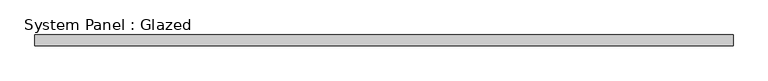
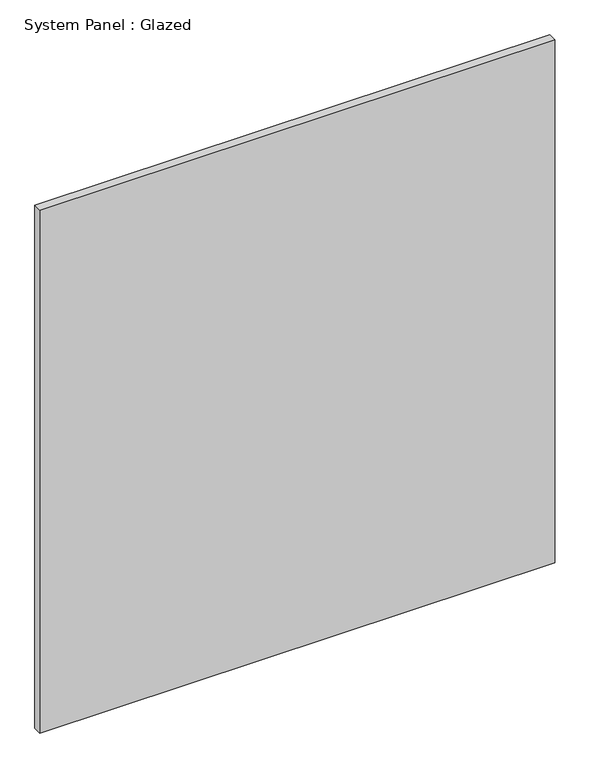
"""IFC4 building model written with IfcOpenShell, lengths in millimetres: plate geometry, System Panel : Glazed."""

from ifc_helpers import new_model, si_unit, origin, origin_with_axes, place, context, project, spatial, polyline, outline, extrude, source, transform, mapped, element, save


def system_panel_glazed_ef3658cb(model_context):
    return source(origin(), model_context, "Body", "SweptSolid", [
        extrude(outline(polyline([(794.0628487, 24.5), (-794.0628487, 24.5), (-794.0628487, 49.5), (794.0628487, 49.5), (794.0628487, 24.5)])), origin_with_axes(), (0.0, 0.0, 1.0), 1705.0),
    ])


if __name__ == "__main__":
    model = new_model("IFC4")
    model_context = context("Model", 3, world=origin())
    ifc_project = project(units=[si_unit("LENGTHUNIT", "METRE", prefix="MILLI")], contexts=[model_context])
    site = spatial("IfcSite", under=ifc_project)
    building = spatial("IfcBuilding", under=site)
    placement = place(None, origin())
    system_panel_glazed_shape = system_panel_glazed_ef3658cb(model_context)
    element("IfcPlate", 1, ObjectType="System Panel : Glazed", at=placement, inside=building, context=model_context, shape_type="MappedRepresentation", body=[
        mapped(system_panel_glazed_shape, transform((0.0, 0.0, 0.0), x_axis=(1.0, 0.0, 0.0), y_axis=(0.0, 1.0, 0.0), z_axis=(0.0, 0.0, 1.0))),
    ])
    save(model, "model.ifc")
